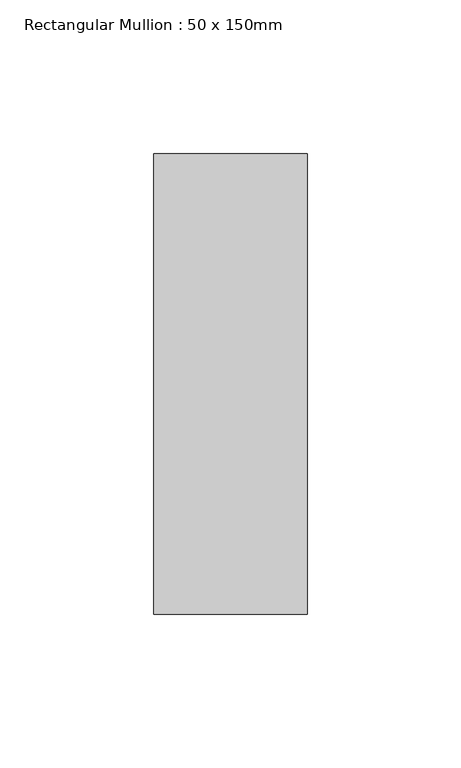
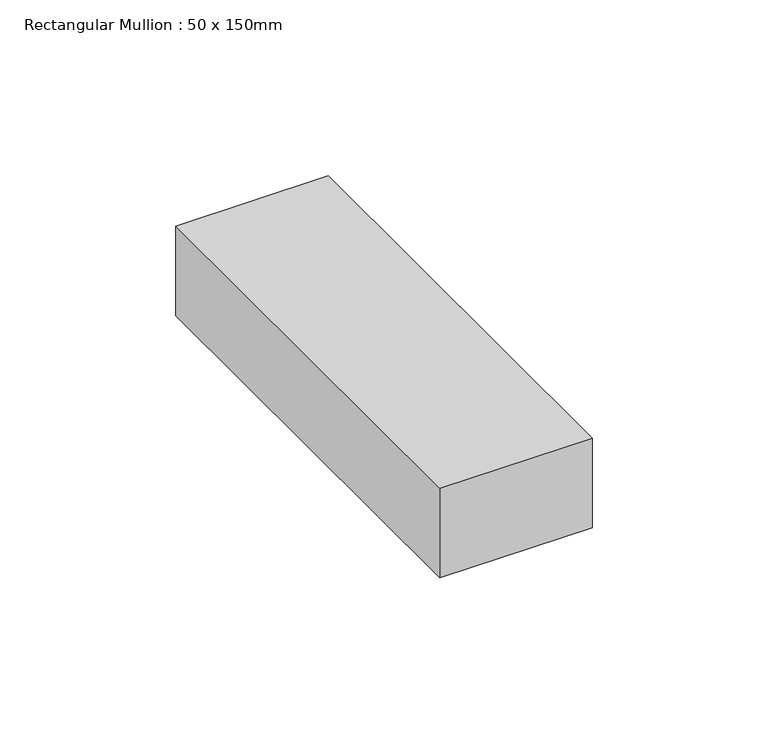
"""IFC4 building model written with IfcOpenShell, lengths in millimetres: member geometry, Rectangular Mullion : 50 x 150mm."""

from ifc_helpers import new_model, si_unit, frame, origin, place, context, project, spatial, polyline, outline, extrude, source, transform, mapped, element, save


def rectangular_mullion_50_x_150mm_25d77e85(model_context):
    return source(origin(), model_context, "Body", "SweptSolid", [
        extrude(outline(polyline([(25.0, 75.0), (25.0, -75.0), (-25.0, -75.0), (-25.0, 75.0), (25.0, 75.0)])), frame((0.0, 0.0, -31.0476235), z_axis=(0.0, 0.0, 1.0), x_axis=(1.0, 0.0, 0.0)), (0.0, 0.0, 1.0), 31.0476235),
    ])


if __name__ == "__main__":
    model = new_model("IFC4")
    model_context = context("Model", 3, world=origin())
    ifc_project = project(units=[si_unit("LENGTHUNIT", "METRE", prefix="MILLI")], contexts=[model_context])
    site = spatial("IfcSite", under=ifc_project)
    building = spatial("IfcBuilding", under=site)
    placement = place(None, origin())
    rectangular_mullion_50_x_150mm_shape = rectangular_mullion_50_x_150mm_25d77e85(model_context)
    element("IfcMember", 1, ObjectType="Rectangular Mullion : 50 x 150mm", at=placement, inside=building, context=model_context, shape_type="MappedRepresentation", body=[
        mapped(rectangular_mullion_50_x_150mm_shape, transform((0.0, 0.0, 0.0), x_axis=(1.0, 0.0, 0.0), y_axis=(0.0, 1.0, 0.0), z_axis=(0.0, 0.0, 1.0))),
    ])
    save(model, "model.ifc")
